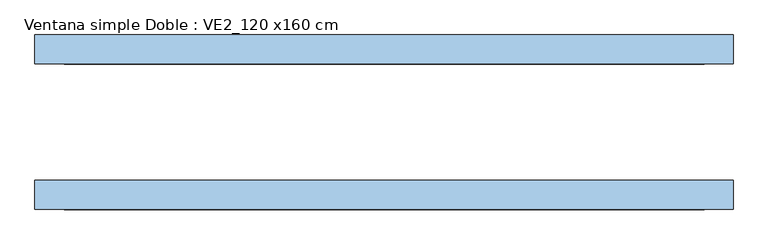
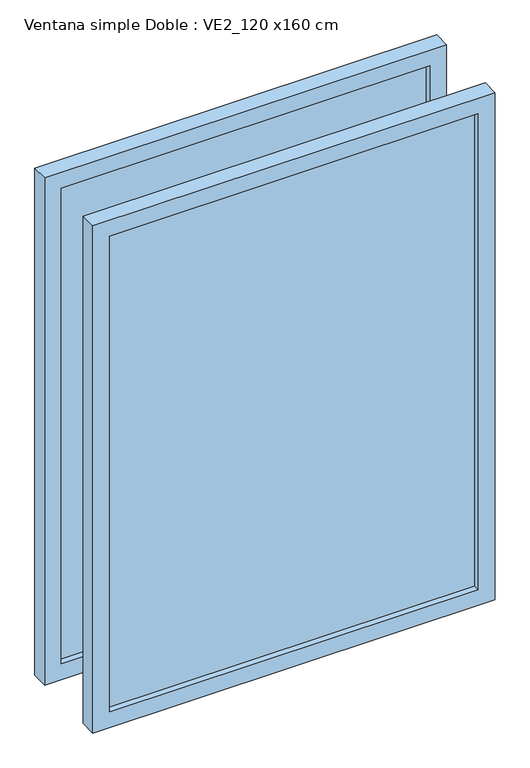
"""IFC4 building model written with IfcOpenShell, lengths in millimetres: window geometry, Ventana simple Doble : VE2_120 x160 cm."""

from ifc_helpers import new_model, si_unit, frame, origin, place, context, project, spatial, polyline, outline, extrude, source, transform, mapped, element, save


def ventana_simple_doble_ve2_120_x160_cm_17fef499(model_context):
    return source(origin(), model_context, "Body", "SweptSolid", [
        extrude(outline(polyline([(550.0, -131.5), (-550.0, -131.5), (-550.0, -118.5), (550.0, -118.5), (550.0, -131.5)])), frame((0.0, 0.0, 850.0), z_axis=(0.0, 0.0, 1.0), x_axis=(1.0, 0.0, 0.0)), (0.0, 0.0, 1.0), 1500.0),
        extrude(outline(polyline([(800.0, 600.0), (2400.0, 600.0), (2400.0, -600.0), (800.0, -600.0), (800.0, 600.0)]), holes=[polyline([(2350.0, 550.0), (850.0, 550.0), (850.0, -550.0), (2350.0, -550.0), (2350.0, 550.0)])]), frame((0.0, -150.0, 0.0), z_axis=(0.0, 1.0, 0.0), x_axis=(0.0, 0.0, 1.0)), (0.0, 0.0, 1.0), 50.0),
        extrude(outline(polyline([(550.0, 131.5), (550.0, 118.5), (-550.0, 118.5), (-550.0, 131.5), (550.0, 131.5)])), frame((0.0, 0.0, 850.0), z_axis=(0.0, 0.0, 1.0), x_axis=(1.0, 0.0, 0.0)), (0.0, 0.0, 1.0), 1500.0),
        extrude(outline(polyline([(2400.0, 600.0), (2400.0, -600.0), (800.0, -600.0), (800.0, 600.0), (2400.0, 600.0)]), holes=[polyline([(850.0, 550.0), (850.0, -550.0), (2350.0, -550.0), (2350.0, 550.0), (850.0, 550.0)])]), frame((0.0, 100.0, 0.0), z_axis=(0.0, 1.0, 0.0), x_axis=(0.0, 0.0, 1.0)), (0.0, 0.0, 1.0), 50.0),
    ])


if __name__ == "__main__":
    model = new_model("IFC4")
    model_context = context("Model", 3, world=origin())
    ifc_project = project(units=[si_unit("LENGTHUNIT", "METRE", prefix="MILLI")], contexts=[model_context])
    site = spatial("IfcSite", under=ifc_project)
    building = spatial("IfcBuilding", under=site)
    placement = place(None, origin())
    ventana_simple_doble_ve2_120_x160_cm_shape = ventana_simple_doble_ve2_120_x160_cm_17fef499(model_context)
    element("IfcWindow", 1, ObjectType="Ventana simple Doble : VE2_120 x160 cm", at=placement, inside=building, context=model_context, shape_type="MappedRepresentation", body=[
        mapped(ventana_simple_doble_ve2_120_x160_cm_shape, transform((0.0, 0.0, 0.0), x_axis=(1.0, 0.0, 0.0), y_axis=(0.0, 1.0, 0.0), z_axis=(0.0, 0.0, 1.0))),
    ])
    save(model, "model.ifc")
